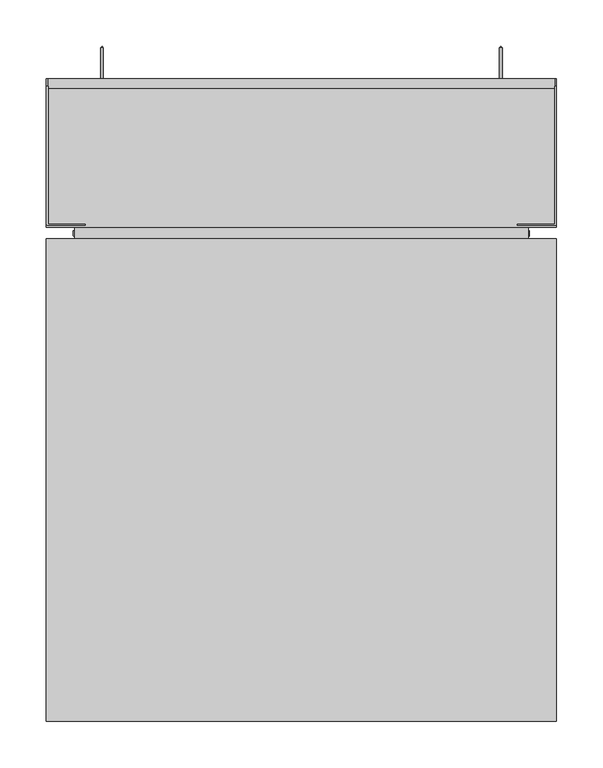
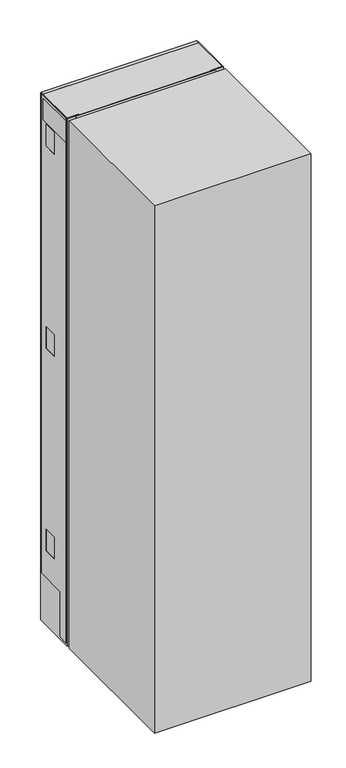
"""IFC4 building model written with IfcOpenShell, lengths in millimetres: proxy geometry."""

from ifc_helpers import new_model, si_unit, point, frame, frame_2d, origin, origin_with_axes, place, context, project, spatial, polyline, circle_curve, trimmed, segment, composite_curve, outline, extrude, faceted_brep, source, transform, mapped, element, save
from ifc_brep_helpers import plane_surface, cylinder_surface, revolved_surface, advanced_brep


def specialty_equipment_7d5f7687(model_context):
    return source(origin(), model_context, "Body", "SolidModel", [
        advanced_brep(
        [(213.5, 465.6, 400.4999976), (216.5, 465.6, 400.4999976), (216.5, 425.6, 400.4999976), (213.5, 425.6, 400.4999976), (215.0, 467.1, 400.4999976), (210.0, 422.1, 400.4999976), (220.0, 422.1, 400.4999976), (215.0, 422.1, 400.4999976)],
        [
            (0, 1, circle_curve(frame((215.0, 465.6, 400.4999976), z_axis=(0.0, -1.0, 0.0), x_axis=(1.0, 0.0, 0.0)), 1.5)),
            (1, 2),
            (2, 3, circle_curve(frame((215.0, 425.6, 400.4999976), z_axis=(0.0, 1.0, 0.0), x_axis=(1.0, 0.0, 0.0)), 1.5)),
            (3, 0),
            (1, 0, circle_curve(frame((215.0, 465.6, 400.4999976), z_axis=(0.0, -1.0, 0.0), x_axis=(1.0, 0.0, 0.0)), 1.5)),
            (3, 2, circle_curve(frame((215.0, 425.6, 400.4999976), z_axis=(0.0, 1.0, 0.0), x_axis=(1.0, 0.0, 0.0)), 1.5)),
            (4, 1),
            (0, 4),
            (5, 6, circle_curve(frame((215.0, 422.1, 400.4999976), z_axis=(0.0, -1.0, 0.0), x_axis=(1.0, 0.0, 0.0)), 5.0)),
            (6, 7),
            (7, 5),
            (6, 5, circle_curve(frame((215.0, 422.1, 400.4999976), z_axis=(0.0, -1.0, 0.0), x_axis=(1.0, 0.0, 0.0)), 5.0)),
            (2, 6),
            (5, 3),
        ],
        [
            cylinder_surface(frame((215.0, 422.1, 400.4999976), z_axis=(0.0, 1.0, 0.0), x_axis=(1.0, 0.0, 0.0)), 1.5),
            revolved_surface(polyline([(216.5, 465.6, 400.4999976), (215.0, 467.1, 400.4999976)]), (215.0, 422.1, 400.4999976), (0.0, 1.0, 0.0)),
            plane_surface(frame((215.0, 422.1, 400.4999976), z_axis=(0.0, -1.0, 0.0), x_axis=(1.0, 0.0, 0.0))),
            revolved_surface(polyline([(220.0, 422.1, 400.4999976), (216.5, 425.6, 400.4999976)]), (215.0, 422.1, 400.4999976), (0.0, 1.0, 0.0)),
        ],
        [
            (0, [[1, 2, 3, 4]]),
            (0, [[5, -4, 6, -2]]),
            (1, [[7, -1, 8]]),
            (1, [[-8, -5, -7]]),
            (2, [[9, 10, 11]]),
            (2, [[12, -11, -10]]),
            (3, [[-3, 13, -9, 14]]),
            (3, [[-6, -14, -12, -13]]),
        ],
    ),
        advanced_brep(
        [(-216.5, 465.6, 400.4999976), (-213.5, 465.6, 400.4999976), (-213.5, 425.6, 400.4999976), (-216.5, 425.6, 400.4999976), (-215.0, 467.1, 400.4999976), (-220.0, 422.1, 400.4999976), (-210.0, 422.1, 400.4999976), (-215.0, 422.1, 400.4999976)],
        [
            (0, 1, circle_curve(frame((-215.0, 465.6, 400.4999976), z_axis=(0.0, -1.0, 0.0), x_axis=(1.0, 0.0, 0.0)), 1.5)),
            (1, 2),
            (2, 3, circle_curve(frame((-215.0, 425.6, 400.4999976), z_axis=(0.0, 1.0, 0.0), x_axis=(1.0, 0.0, 0.0)), 1.5)),
            (3, 0),
            (1, 0, circle_curve(frame((-215.0, 465.6, 400.4999976), z_axis=(0.0, -1.0, 0.0), x_axis=(1.0, 0.0, 0.0)), 1.5)),
            (3, 2, circle_curve(frame((-215.0, 425.6, 400.4999976), z_axis=(0.0, 1.0, 0.0), x_axis=(1.0, 0.0, 0.0)), 1.5)),
            (4, 1),
            (0, 4),
            (5, 6, circle_curve(frame((-215.0, 422.1, 400.4999976), z_axis=(0.0, -1.0, 0.0), x_axis=(1.0, 0.0, 0.0)), 5.0)),
            (6, 7),
            (7, 5),
            (6, 5, circle_curve(frame((-215.0, 422.1, 400.4999976), z_axis=(0.0, -1.0, 0.0), x_axis=(1.0, 0.0, 0.0)), 5.0)),
            (2, 6),
            (5, 3),
        ],
        [
            cylinder_surface(frame((-215.0, 422.1, 400.4999976), z_axis=(0.0, 1.0, 0.0), x_axis=(1.0, 0.0, 0.0)), 1.5),
            revolved_surface(polyline([(-213.5, 465.6, 400.4999976), (-215.0, 467.1, 400.4999976)]), (-215.0, 422.1, 400.4999976), (0.0, 1.0, 0.0)),
            plane_surface(frame((-215.0, 422.1, 400.4999976), z_axis=(0.0, -1.0, 0.0), x_axis=(1.0, 0.0, 0.0))),
            revolved_surface(polyline([(-210.0, 422.1, 400.4999976), (-213.5, 425.6, 400.4999976)]), (-215.0, 422.1, 400.4999976), (0.0, 1.0, 0.0)),
        ],
        [
            (0, [[1, 2, 3, 4]]),
            (0, [[5, -4, 6, -2]]),
            (1, [[7, -1, 8]]),
            (1, [[-8, -5, -7]]),
            (2, [[9, 10, 11]]),
            (2, [[12, -11, -10]]),
            (3, [[-3, 13, -9, 14]]),
            (3, [[-6, -14, -12, -13]]),
        ],
    ),
        advanced_brep(
        [(213.5, 465.6, 1800.4999976), (216.5, 465.6, 1800.4999976), (216.5, 425.6, 1800.4999976), (213.5, 425.6, 1800.4999976), (215.0, 467.1, 1800.4999976), (210.0, 422.1, 1800.4999976), (220.0, 422.1, 1800.4999976), (215.0, 422.1, 1800.4999976)],
        [
            (0, 1, circle_curve(frame((215.0, 465.6, 1800.4999976), z_axis=(0.0, -1.0, 0.0), x_axis=(1.0, 0.0, 0.0)), 1.5)),
            (1, 2),
            (2, 3, circle_curve(frame((215.0, 425.6, 1800.4999976), z_axis=(0.0, 1.0, 0.0), x_axis=(1.0, 0.0, 0.0)), 1.5)),
            (3, 0),
            (1, 0, circle_curve(frame((215.0, 465.6, 1800.4999976), z_axis=(0.0, -1.0, 0.0), x_axis=(1.0, 0.0, 0.0)), 1.5)),
            (3, 2, circle_curve(frame((215.0, 425.6, 1800.4999976), z_axis=(0.0, 1.0, 0.0), x_axis=(1.0, 0.0, 0.0)), 1.5)),
            (4, 1),
            (0, 4),
            (5, 6, circle_curve(frame((215.0, 422.1, 1800.4999976), z_axis=(0.0, -1.0, 0.0), x_axis=(1.0, 0.0, 0.0)), 5.0)),
            (6, 7),
            (7, 5),
            (6, 5, circle_curve(frame((215.0, 422.1, 1800.4999976), z_axis=(0.0, -1.0, 0.0), x_axis=(1.0, 0.0, 0.0)), 5.0)),
            (2, 6),
            (5, 3),
        ],
        [
            cylinder_surface(frame((215.0, 422.1, 1800.4999976), z_axis=(0.0, 1.0, 0.0), x_axis=(1.0, 0.0, 0.0)), 1.5),
            revolved_surface(polyline([(216.5, 465.6, 1800.4999976), (215.0, 467.1, 1800.4999976)]), (215.0, 422.1, 1800.4999976), (0.0, 1.0, 0.0)),
            plane_surface(frame((215.0, 422.1, 1800.4999976), z_axis=(0.0, -1.0, 0.0), x_axis=(1.0, 0.0, 0.0))),
            revolved_surface(polyline([(220.0, 422.1, 1800.4999976), (216.5, 425.6, 1800.4999976)]), (215.0, 422.1, 1800.4999976), (0.0, 1.0, 0.0)),
        ],
        [
            (0, [[1, 2, 3, 4]]),
            (0, [[5, -4, 6, -2]]),
            (1, [[7, -1, 8]]),
            (1, [[-8, -5, -7]]),
            (2, [[9, 10, 11]]),
            (2, [[12, -11, -10]]),
            (3, [[-3, 13, -9, 14]]),
            (3, [[-6, -14, -12, -13]]),
        ],
    ),
        advanced_brep(
        [(-216.5, 465.6, 1800.4999976), (-213.5, 465.6, 1800.4999976), (-213.5, 425.6, 1800.4999976), (-216.5, 425.6, 1800.4999976), (-215.0, 467.1, 1800.4999976), (-220.0, 422.1, 1800.4999976), (-210.0, 422.1, 1800.4999976), (-215.0, 422.1, 1800.4999976)],
        [
            (0, 1, circle_curve(frame((-215.0, 465.6, 1800.4999976), z_axis=(0.0, -1.0, 0.0), x_axis=(1.0, 0.0, 0.0)), 1.5)),
            (1, 2),
            (2, 3, circle_curve(frame((-215.0, 425.6, 1800.4999976), z_axis=(0.0, 1.0, 0.0), x_axis=(1.0, 0.0, 0.0)), 1.5)),
            (3, 0),
            (1, 0, circle_curve(frame((-215.0, 465.6, 1800.4999976), z_axis=(0.0, -1.0, 0.0), x_axis=(1.0, 0.0, 0.0)), 1.5)),
            (3, 2, circle_curve(frame((-215.0, 425.6, 1800.4999976), z_axis=(0.0, 1.0, 0.0), x_axis=(1.0, 0.0, 0.0)), 1.5)),
            (4, 1),
            (0, 4),
            (5, 6, circle_curve(frame((-215.0, 422.1, 1800.4999976), z_axis=(0.0, -1.0, 0.0), x_axis=(1.0, 0.0, 0.0)), 5.0)),
            (6, 7),
            (7, 5),
            (6, 5, circle_curve(frame((-215.0, 422.1, 1800.4999976), z_axis=(0.0, -1.0, 0.0), x_axis=(1.0, 0.0, 0.0)), 5.0)),
            (2, 6),
            (5, 3),
        ],
        [
            cylinder_surface(frame((-215.0, 422.1, 1800.4999976), z_axis=(0.0, 1.0, 0.0), x_axis=(1.0, 0.0, 0.0)), 1.5),
            revolved_surface(polyline([(-213.5, 465.6, 1800.4999976), (-215.0, 467.1, 1800.4999976)]), (-215.0, 422.1, 1800.4999976), (0.0, 1.0, 0.0)),
            plane_surface(frame((-215.0, 422.1, 1800.4999976), z_axis=(0.0, -1.0, 0.0), x_axis=(1.0, 0.0, 0.0))),
            revolved_surface(polyline([(-210.0, 422.1, 1800.4999976), (-213.5, 425.6, 1800.4999976)]), (-215.0, 422.1, 1800.4999976), (0.0, 1.0, 0.0)),
        ],
        [
            (0, [[1, 2, 3, 4]]),
            (0, [[5, -4, 6, -2]]),
            (1, [[7, -1, 8]]),
            (1, [[-8, -5, -7]]),
            (2, [[9, 10, 11]]),
            (2, [[12, -11, -10]]),
            (3, [[-3, 13, -9, 14]]),
            (3, [[-6, -14, -12, -13]]),
        ],
    ),
        faceted_brep([(-208.5, 402.1, 1576.8855882), (-208.5, 402.1, 1524.8505872), (-200.5, 402.1, 1524.8505872), (-200.5, 402.1, 1576.8855882), (-98.5, 402.1, 1524.8505872), (-98.5, 402.1, 1576.8855882), (-108.5, 402.1, 1576.8855882), (-108.5, 402.1, 1524.8505872), (-140.5, 402.1, 1576.8855882), (-140.5, 402.1, 1524.8505872), (-132.5, 402.1, 1524.8505872), (-132.5, 402.1, 1576.8855882), (-98.5, 417.1, 1576.8855882), (-98.5, 417.1, 1524.8505872), (-108.5, 417.1, 1524.8505872), (-108.5, 417.1, 1522.0000523), (-132.5, 417.1, 1522.0000523), (-132.5, 417.1, 1524.8505872), (-140.5, 417.1, 1524.8505872), (-140.5, 417.1, 1522.899992), (-200.5, 417.1, 1522.899992), (-200.5, 417.1, 1524.8505872), (-208.5, 417.1, 1524.8505872), (-208.5, 417.1, 1576.8855882), (-200.5, 417.1, 1576.8855882), (-200.5, 417.1, 1580.4000062), (-140.5, 417.1, 1580.4000062), (-140.5, 417.1, 1576.8855882), (-132.5, 382.1, 1576.8855882), (-108.5, 382.1, 1576.8855882), (-140.5, 382.1, 1580.4000062), (-200.5, 382.1, 1580.4000062), (-200.5, 382.1, 1522.899992), (-140.5, 382.1, 1522.899992), (-132.5, 382.1, 1522.0000523), (-108.5, 382.1, 1522.0000523)], [[[0, 1, 2, 3]], [[4, 5, 6, 7]], [[8, 9, 10, 11]], [[12, 13, 14, 15, 16, 17, 18, 19, 20, 21, 22, 23, 24, 25, 26, 27]], [[5, 12, 27, 8, 11, 28, 29, 6]], [[23, 0, 3, 24]], [[1, 0, 23, 22]], [[1, 22, 21, 2]], [[9, 18, 17, 10]], [[13, 4, 7, 14]], [[5, 4, 13, 12]], [[30, 31, 32, 33]], [[31, 30, 26, 25]], [[32, 31, 25, 24, 3, 2, 21, 20]], [[33, 32, 20, 19]], [[30, 33, 19, 18, 9, 8, 27, 26]], [[29, 28, 34, 35]], [[34, 28, 11, 10, 17, 16]], [[35, 34, 16, 15]], [[29, 35, 15, 14, 7, 6]]]),
        extrude(outline(polyline([(-61.5, 417.1), (-238.5, 417.1), (-238.5, 422.1), (-61.5, 422.1), (-61.5, 417.1)])), frame((0.0, 0.0, 1529.0), z_axis=(0.0, 0.0, 1.0), x_axis=(1.0, 0.0, 0.0)), (0.0, 0.0, 1.0), 35.0),
        extrude(outline(polyline([(273.25, 275.6), (-273.25, 275.6), (-273.25, 427.1), (273.25, 427.1), (273.25, 275.6)])), frame((0.0, 0.0, 1947.2), z_axis=(0.0, 0.0, 1.0), x_axis=(1.0, 0.0, 0.0)), (0.0, 0.0, 1.0), 4.8),
        advanced_brep(
        [(275.0, 314.35, 176.3), (275.0, 424.35, 180.3646651), (275.0, 424.35, 1955.3), (275.0, 276.1, 1955.3), (275.0, 276.1, 8.25), (275.0, 314.35, 8.25), (275.0, 348.7, 357.8), (275.0, 397.6, 357.8), (275.0, 397.6, 277.6), (275.0, 348.7, 277.6), (275.0, 397.6, 1027.6), (275.0, 348.7, 1027.6), (275.0, 348.7, 1107.8), (275.0, 397.6, 1107.8), (275.0, 399.1, 1777.6), (275.0, 348.7, 1777.6), (275.0, 348.7, 1857.8), (275.0, 399.1, 1857.8), (275.0, 281.1, 1941.55), (275.0, 417.6, 1941.55), (275.0, 417.6, 1862.55), (275.0, 281.1, 1862.55), (273.25, 314.35, 176.3), (273.25, 314.35, 8.25), (273.25, 276.1, 8.25), (273.25, 276.1, 1955.3), (273.25, 424.35, 1955.3), (273.25, 424.35, 180.3646651), (273.25, 348.7, 357.8), (273.25, 348.7, 277.6), (273.25, 397.6, 277.6), (273.25, 397.6, 357.8), (273.25, 397.6, 1027.6), (273.25, 397.6, 1107.8), (273.25, 348.7, 1107.8), (273.25, 348.7, 1027.6), (273.25, 399.1, 1777.6), (273.25, 399.1, 1857.8), (273.25, 348.7, 1857.8), (273.25, 348.7, 1777.6), (273.25, 281.1, 1941.55), (273.25, 281.1, 1862.55), (273.25, 417.6, 1862.55), (273.25, 417.6, 1941.55), (273.8139807, 276.1, 1955.3), (273.8139807, 275.6, 1955.3), (233.05, 275.6, 1955.3), (233.05, 274.35, 1955.3), (273.25, 274.35, 1955.3), (273.8139807, 276.1, 8.25), (273.25, 274.35, 8.25), (233.05, 274.35, 8.25), (233.05, 275.6, 8.25), (273.8139807, 275.6, 8.25)],
        [
            (0, 1),
            (1, 2),
            (2, 3),
            (3, 4),
            (4, 5),
            (5, 0),
            (6, 7),
            (7, 8),
            (8, 9),
            (9, 6),
            (10, 11),
            (11, 12),
            (12, 13),
            (13, 10),
            (14, 15),
            (15, 16),
            (16, 17),
            (17, 14),
            (18, 19),
            (19, 20),
            (20, 21),
            (21, 18),
            (22, 23),
            (23, 24),
            (24, 25),
            (25, 26),
            (26, 27),
            (27, 22),
            (28, 29),
            (29, 30),
            (30, 31),
            (31, 28),
            (32, 33),
            (33, 34),
            (34, 35),
            (35, 32),
            (36, 37),
            (37, 38),
            (38, 39),
            (39, 36),
            (40, 41),
            (41, 42),
            (42, 43),
            (43, 40),
            (0, 22),
            (27, 1),
            (26, 2),
            (25, 44),
            (44, 45),
            (45, 46),
            (46, 47),
            (47, 48),
            (48, 3, circle_curve(frame((273.25, 276.1, 1955.3), z_axis=(0.0, 0.0, 1.0), x_axis=(-1.0, 0.0, 0.0)), 1.75)),
            (24, 49),
            (49, 44),
            (23, 5),
            (4, 50, circle_curve(frame((273.25, 276.1, 8.25), z_axis=(0.0, 0.0, -1.0), x_axis=(-1.0, 0.0, 0.0)), 1.75)),
            (50, 51),
            (51, 52),
            (52, 53),
            (53, 49),
            (6, 28),
            (31, 7),
            (30, 8),
            (29, 9),
            (10, 32),
            (35, 11),
            (34, 12),
            (33, 13),
            (14, 36),
            (39, 15),
            (38, 16),
            (37, 17),
            (18, 40),
            (43, 19),
            (42, 20),
            (41, 21),
            (47, 51),
            (50, 48),
            (53, 45),
            (52, 46),
        ],
        [
            plane_surface(frame((275.0, 422.6, 180.3), z_axis=(1.0, 0.0, 0.0), x_axis=(0.0, 0.9993179916193466, 0.03692629992126892))),
            plane_surface(frame((273.25, 422.6, 180.3), z_axis=(-1.0, 0.0, 0.0), x_axis=(0.0, -0.9993179916193466, -0.03692629992126892))),
            plane_surface(frame((275.0, 314.35, 176.3), z_axis=(0.0, 0.03692629992126892, -0.9993179916193466), x_axis=(-1.0, 0.0, 0.0))),
            plane_surface(frame((275.0, 424.35, 180.3646651), z_axis=(0.0, 1.0, 0.0), x_axis=(-1.0, 0.0, 0.0))),
            plane_surface(frame((275.0, 424.35, 1955.3), z_axis=(0.0, 0.0, 1.0), x_axis=(-1.0, 0.0, 0.0))),
            plane_surface(frame((275.0, 276.1, 1955.3), z_axis=(0.0, -1.0, 0.0), x_axis=(-1.0, 0.0, 0.0))),
            plane_surface(frame((275.0, 276.1, 8.25), z_axis=(0.0, 0.0, -1.0), x_axis=(-1.0, 0.0, 0.0))),
            plane_surface(frame((275.0, 314.35, 8.25), z_axis=(0.0, 1.0, 0.0), x_axis=(-1.0, 0.0, 0.0))),
            plane_surface(frame((275.0, 348.7, 357.8), z_axis=(0.0, 0.0, -1.0), x_axis=(-1.0, 0.0, 0.0))),
            plane_surface(frame((275.0, 397.6, 357.8), z_axis=(0.0, -1.0, 0.0), x_axis=(-1.0, 0.0, 0.0))),
            plane_surface(frame((275.0, 397.6, 277.6), z_axis=(0.0, 0.0, 1.0), x_axis=(-1.0, 0.0, 0.0))),
            plane_surface(frame((275.0, 348.7, 277.6), z_axis=(0.0, 1.0, 0.0), x_axis=(-1.0, 0.0, 0.0))),
            plane_surface(frame((275.0, 397.6, 1027.6), z_axis=(0.0, 0.0, 1.0), x_axis=(-1.0, 0.0, 0.0))),
            plane_surface(frame((275.0, 348.7, 1027.6), z_axis=(0.0, 1.0, 0.0), x_axis=(-1.0, 0.0, 0.0))),
            plane_surface(frame((275.0, 348.7, 1107.8), z_axis=(0.0, 0.0, -1.0), x_axis=(-1.0, 0.0, 0.0))),
            plane_surface(frame((275.0, 397.6, 1107.8), z_axis=(0.0, -1.0, 0.0), x_axis=(-1.0, 0.0, 0.0))),
            plane_surface(frame((275.0, 399.1, 1777.6), z_axis=(0.0, 0.0, 1.0), x_axis=(-1.0, 0.0, 0.0))),
            plane_surface(frame((275.0, 348.7, 1777.6), z_axis=(0.0, 1.0, 0.0), x_axis=(-1.0, 0.0, 0.0))),
            plane_surface(frame((275.0, 348.7, 1857.8), z_axis=(0.0, 0.0, -1.0), x_axis=(-1.0, 0.0, 0.0))),
            plane_surface(frame((275.0, 399.1, 1857.8), z_axis=(0.0, -1.0, 0.0), x_axis=(-1.0, 0.0, 0.0))),
            plane_surface(frame((275.0, 281.1, 1941.55), z_axis=(0.0, 0.0, -1.0), x_axis=(-1.0, 0.0, 0.0))),
            plane_surface(frame((275.0, 417.6, 1941.55), z_axis=(0.0, -1.0, 0.0), x_axis=(-1.0, 0.0, 0.0))),
            plane_surface(frame((275.0, 417.6, 1862.55), z_axis=(0.0, 0.0, 1.0), x_axis=(-1.0, 0.0, 0.0))),
            plane_surface(frame((275.0, 281.1, 1862.55), z_axis=(0.0, 1.0, 0.0), x_axis=(-1.0, 0.0, 0.0))),
            plane_surface(frame((233.05, 274.35, 1955.3), z_axis=(0.0, -1.0, 0.0), x_axis=(0.0, 0.0, -1.0))),
            cylinder_surface(frame((273.25, 276.1, 0.0), z_axis=(0.0, 0.0, 1.0), x_axis=(-1.0, 0.0, 0.0)), 1.75),
            plane_surface(frame((273.8139807, 277.7566308, 1955.3), z_axis=(-1.0, 0.0, 0.0), x_axis=(0.0, 0.0, -1.0))),
            plane_surface(frame((273.8139807, 275.6, 1955.3), z_axis=(0.0, 1.0, 0.0), x_axis=(0.0, 0.0, -1.0))),
            plane_surface(frame((233.05, 275.6, 1955.3), z_axis=(-1.0, 0.0, 0.0), x_axis=(0.0, 0.0, -1.0))),
        ],
        [
            (0, [[1, 2, 3, 4, 5, 6], [7, 8, 9, 10], [11, 12, 13, 14], [15, 16, 17, 18], [19, 20, 21, 22]]),
            (1, [[23, 24, 25, 26, 27, 28], [29, 30, 31, 32], [33, 34, 35, 36], [37, 38, 39, 40], [41, 42, 43, 44]]),
            (2, [[-1, 45, -28, 46]]),
            (3, [[-2, -46, -27, 47]]),
            (4, [[-26, 48, 49, 50, 51, 52, 53, -3, -47]]),
            (5, [[-25, 54, 55, -48]]),
            (6, [[-24, 56, -5, 57, 58, 59, 60, 61, -54]]),
            (7, [[-6, -56, -23, -45]]),
            (8, [[-7, 62, -32, 63]]),
            (9, [[-8, -63, -31, 64]]),
            (10, [[-9, -64, -30, 65]]),
            (11, [[-10, -65, -29, -62]]),
            (12, [[-11, 66, -36, 67]]),
            (13, [[-12, -67, -35, 68]]),
            (14, [[-13, -68, -34, 69]]),
            (15, [[-14, -69, -33, -66]]),
            (16, [[-15, 70, -40, 71]]),
            (17, [[-16, -71, -39, 72]]),
            (18, [[-17, -72, -38, 73]]),
            (19, [[-18, -73, -37, -70]]),
            (20, [[-19, 74, -44, 75]]),
            (21, [[-20, -75, -43, 76]]),
            (22, [[-21, -76, -42, 77]]),
            (23, [[-22, -77, -41, -74]]),
            (24, [[-52, 78, -58, 79]]),
            (25, [[-53, -79, -57, -4]]),
            (26, [[80, -49, -55, -61]]),
            (27, [[-50, -80, -60, 81]]),
            (28, [[-51, -81, -59, -78]]),
        ],
    ),
        advanced_brep(
        [(-233.05, 274.35, 1955.3), (-233.05, 275.6, 1955.3), (-273.8139807, 275.6, 1955.3), (-273.8139807, 276.1, 1955.3), (-273.25, 276.1, 1955.3), (-273.25, 424.35, 1955.3), (-275.0, 424.35, 1955.3), (-275.0, 276.1, 1955.3), (-273.25, 274.35, 1955.3), (-233.05, 274.35, 8.25), (-273.25, 274.35, 8.25), (-275.0, 276.1, 8.25), (-275.0, 314.35, 8.25), (-273.25, 314.35, 8.25), (-273.25, 276.1, 8.25), (-273.8139807, 276.1, 8.25), (-273.8139807, 275.6, 8.25), (-233.05, 275.6, 8.25), (-275.0, 424.35, 180.3646651), (-275.0, 314.35, 176.3), (-275.0, 348.7, 357.8), (-275.0, 348.7, 277.6), (-275.0, 397.6, 277.6), (-275.0, 397.6, 357.8), (-275.0, 397.6, 1027.6), (-275.0, 397.6, 1107.8), (-275.0, 348.7, 1107.8), (-275.0, 348.7, 1027.6), (-275.0, 399.1, 1777.6), (-275.0, 399.1, 1857.8), (-275.0, 348.7, 1857.8), (-275.0, 348.7, 1777.6), (-275.0, 281.1, 1941.55), (-275.0, 281.1, 1862.55), (-275.0, 417.6, 1862.55), (-275.0, 417.6, 1941.55), (-273.25, 314.35, 176.3), (-273.25, 424.35, 180.3646651), (-273.25, 348.7, 357.8), (-273.25, 397.6, 357.8), (-273.25, 397.6, 277.6), (-273.25, 348.7, 277.6), (-273.25, 397.6, 1027.6), (-273.25, 348.7, 1027.6), (-273.25, 348.7, 1107.8), (-273.25, 397.6, 1107.8), (-273.25, 399.1, 1777.6), (-273.25, 348.7, 1777.6), (-273.25, 348.7, 1857.8), (-273.25, 399.1, 1857.8), (-273.25, 281.1, 1941.55), (-273.25, 417.6, 1941.55), (-273.25, 417.6, 1862.55), (-273.25, 281.1, 1862.55)],
        [
            (0, 1),
            (1, 2),
            (2, 3),
            (3, 4),
            (4, 5),
            (5, 6),
            (6, 7),
            (7, 8, circle_curve(frame((-273.25, 276.1, 1955.3), z_axis=(0.0, 0.0, 1.0), x_axis=(1.0, 0.0, 0.0)), 1.75)),
            (8, 0),
            (9, 10),
            (10, 11, circle_curve(frame((-273.25, 276.1, 8.25), z_axis=(0.0, 0.0, -1.0), x_axis=(1.0, 0.0, 0.0)), 1.75)),
            (11, 12),
            (12, 13),
            (13, 14),
            (14, 15),
            (15, 16),
            (16, 17),
            (17, 9),
            (0, 9),
            (17, 1),
            (16, 2),
            (15, 3),
            (6, 18),
            (18, 19),
            (19, 12),
            (11, 7),
            (20, 21),
            (21, 22),
            (22, 23),
            (23, 20),
            (24, 25),
            (25, 26),
            (26, 27),
            (27, 24),
            (28, 29),
            (29, 30),
            (30, 31),
            (31, 28),
            (32, 33),
            (33, 34),
            (34, 35),
            (35, 32),
            (10, 8),
            (36, 37),
            (37, 5),
            (4, 14),
            (13, 36),
            (38, 39),
            (39, 40),
            (40, 41),
            (41, 38),
            (42, 43),
            (43, 44),
            (44, 45),
            (45, 42),
            (46, 47),
            (47, 48),
            (48, 49),
            (49, 46),
            (50, 51),
            (51, 52),
            (52, 53),
            (53, 50),
            (18, 37),
            (36, 19),
            (23, 39),
            (38, 20),
            (22, 40),
            (21, 41),
            (27, 43),
            (42, 24),
            (26, 44),
            (25, 45),
            (31, 47),
            (46, 28),
            (30, 48),
            (29, 49),
            (35, 51),
            (50, 32),
            (34, 52),
            (33, 53),
        ],
        [
            plane_surface(frame((275.0, 424.35, 1955.3), z_axis=(0.0, 0.0, 1.0), x_axis=(-1.0, 0.0, 0.0))),
            plane_surface(frame((275.0, 276.1, 8.25), z_axis=(0.0, 0.0, -1.0), x_axis=(-1.0, 0.0, 0.0))),
            plane_surface(frame((-233.05, 274.35, 1955.3), z_axis=(1.0, 0.0, 0.0), x_axis=(0.0, 0.0, -1.0))),
            plane_surface(frame((-233.05, 275.6, 1955.3), z_axis=(0.0, 1.0, 0.0), x_axis=(0.0, 0.0, -1.0))),
            plane_surface(frame((-273.8139807, 275.6, 1955.3), z_axis=(1.0, 0.0, 0.0), x_axis=(0.0, 0.0, -1.0))),
            plane_surface(frame((-275.0, 277.7566308, 1955.3), z_axis=(-1.0, -2.5941982806943435e-12, 0.0), x_axis=(0.0, 0.0, -1.0))),
            cylinder_surface(frame((-273.25, 276.1, 8.25), z_axis=(0.0, 0.0, 1.0), x_axis=(1.0, 0.0, 0.0)), 1.75),
            plane_surface(frame((-273.25, 274.35, 1955.3), z_axis=(0.0, -1.0, 0.0), x_axis=(0.0, 0.0, -1.0))),
            plane_surface(frame((-273.25, 314.35, 176.3), z_axis=(1.0, 0.0, 0.0), x_axis=(0.0, 0.0, 1.0))),
            plane_surface(frame((-275.0, 424.35, 180.3646651), z_axis=(0.0, 0.03692629992126892, -0.9993179916193466), x_axis=(1.0, 0.0, 0.0))),
            plane_surface(frame((-275.0, 424.35, 1955.3), z_axis=(0.0, 1.0, 0.0), x_axis=(1.0, 0.0, 0.0))),
            plane_surface(frame((-275.0, 276.1, 8.25), z_axis=(0.0, -1.0, 0.0), x_axis=(1.0, 0.0, 0.0))),
            plane_surface(frame((-275.0, 314.35, 176.3), z_axis=(0.0, 1.0, 0.0), x_axis=(1.0, 0.0, 0.0))),
            plane_surface(frame((-275.0, 397.6, 357.8), z_axis=(0.0, 0.0, -1.0), x_axis=(1.0, 0.0, 0.0))),
            plane_surface(frame((-275.0, 397.6, 277.6), z_axis=(0.0, -1.0, 0.0), x_axis=(1.0, 0.0, 0.0))),
            plane_surface(frame((-275.0, 348.7, 277.6), z_axis=(0.0, 0.0, 1.0), x_axis=(1.0, 0.0, 0.0))),
            plane_surface(frame((-275.0, 348.7, 357.8), z_axis=(0.0, 1.0, 0.0), x_axis=(1.0, 0.0, 0.0))),
            plane_surface(frame((-275.0, 348.7, 1027.6), z_axis=(0.0, 0.0, 1.0), x_axis=(1.0, 0.0, 0.0))),
            plane_surface(frame((-275.0, 348.7, 1107.8), z_axis=(0.0, 1.0, 0.0), x_axis=(1.0, 0.0, 0.0))),
            plane_surface(frame((-275.0, 397.6, 1107.8), z_axis=(0.0, 0.0, -1.0), x_axis=(1.0, 0.0, 0.0))),
            plane_surface(frame((-275.0, 397.6, 1027.6), z_axis=(0.0, -1.0, 0.0), x_axis=(1.0, 0.0, 0.0))),
            plane_surface(frame((-275.0, 348.7, 1777.6), z_axis=(0.0, 0.0, 1.0), x_axis=(1.0, 0.0, 0.0))),
            plane_surface(frame((-275.0, 348.7, 1857.8), z_axis=(0.0, 1.0, 0.0), x_axis=(1.0, 0.0, 0.0))),
            plane_surface(frame((-275.0, 399.1, 1857.8), z_axis=(0.0, 0.0, -1.0), x_axis=(1.0, 0.0, 0.0))),
            plane_surface(frame((-275.0, 399.1, 1777.6), z_axis=(0.0, -1.0, 0.0), x_axis=(1.0, 0.0, 0.0))),
            plane_surface(frame((-275.0, 417.6, 1941.55), z_axis=(0.0, 0.0, -1.0), x_axis=(1.0, 0.0, 0.0))),
            plane_surface(frame((-275.0, 417.6, 1862.55), z_axis=(0.0, -1.0, 0.0), x_axis=(1.0, 0.0, 0.0))),
            plane_surface(frame((-275.0, 281.1, 1862.55), z_axis=(0.0, 0.0, 1.0), x_axis=(1.0, 0.0, 0.0))),
            plane_surface(frame((-275.0, 281.1, 1941.55), z_axis=(0.0, 1.0, 0.0), x_axis=(1.0, 0.0, 0.0))),
        ],
        [
            (0, [[1, 2, 3, 4, 5, 6, 7, 8, 9]]),
            (1, [[10, 11, 12, 13, 14, 15, 16, 17, 18]]),
            (2, [[-1, 19, -18, 20]]),
            (3, [[-2, -20, -17, 21]]),
            (4, [[-21, -16, 22, -3]]),
            (5, [[-7, 23, 24, 25, -12, 26], [27, 28, 29, 30], [31, 32, 33, 34], [35, 36, 37, 38], [39, 40, 41, 42]]),
            (6, [[-8, -26, -11, 43]]),
            (7, [[-9, -43, -10, -19]]),
            (8, [[44, 45, -5, 46, -14, 47], [48, 49, 50, 51], [52, 53, 54, 55], [56, 57, 58, 59], [60, 61, 62, 63]]),
            (9, [[-24, 64, -44, 65]]),
            (10, [[-23, -6, -45, -64]]),
            (11, [[-46, -4, -22, -15]]),
            (12, [[-25, -65, -47, -13]]),
            (13, [[-30, 66, -48, 67]]),
            (14, [[-29, 68, -49, -66]]),
            (15, [[-28, 69, -50, -68]]),
            (16, [[-27, -67, -51, -69]]),
            (17, [[-34, 70, -52, 71]]),
            (18, [[-33, 72, -53, -70]]),
            (19, [[-32, 73, -54, -72]]),
            (20, [[-31, -71, -55, -73]]),
            (21, [[-38, 74, -56, 75]]),
            (22, [[-37, 76, -57, -74]]),
            (23, [[-36, 77, -58, -76]]),
            (24, [[-35, -75, -59, -77]]),
            (25, [[-42, 78, -60, 79]]),
            (26, [[-41, 80, -61, -78]]),
            (27, [[-40, 81, -62, -80]]),
            (28, [[-39, -79, -63, -81]]),
        ],
    ),
        extrude(outline(composite_curve([segment(polyline([(-244.55, 274.35), (-243.3, 274.35), (-243.3, 263.6)]), True, "CONTINUOUS"), segment(trimmed(circle_curve(frame_2d((-244.65, 263.6)), 1.35), [point((-243.3, 263.6))], [point((-246.0, 263.6))], False, "CARTESIAN"), True, "CONTINUOUS"), segment(polyline([(-246.0, 263.6), (-246.0, 268.25), (-244.55, 268.25), (-244.55, 274.35)]), True, "CONTINUOUS")], self_intersect=False)), frame((0.0, 0.0, 127.5), z_axis=(0.0, 0.0, 1.0), x_axis=(1.0, 0.0, 0.0)), (0.0, 0.0, 1.0), 1757.35),
        extrude(outline(composite_curve([segment(polyline([(244.55, 274.35), (244.55, 268.25), (246.0, 268.25), (246.0, 263.6)]), True, "CONTINUOUS"), segment(trimmed(circle_curve(frame_2d((244.65, 263.6)), 1.35), [point((246.0, 263.6))], [point((243.3, 263.6))], False, "CARTESIAN"), True, "CONTINUOUS"), segment(polyline([(243.3, 263.6), (243.3, 274.35), (244.55, 274.35)]), True, "CONTINUOUS")], self_intersect=False)), frame((0.0, 0.0, 127.5), z_axis=(0.0, 0.0, 1.0), x_axis=(1.0, 0.0, 0.0)), (0.0, 0.0, 1.0), 1757.35),
        extrude(outline(polyline([(1954.9999976, 273.25), (1954.9999976, -273.25), (180.2999976, -273.25), (180.2999976, 273.25), (1954.9999976, 273.25)]), holes=[composite_curve([segment(polyline([(1763.4999976, -176.35), (1909.7499976, -176.35), (1909.7499976, 176.35), (1763.4999976, 176.35)]), True, "CONTINUOUS"), segment(trimmed(circle_curve(frame_2d((1763.4999976, 126.35)), 50.0), [point((1763.4999976, 176.35))], [point((1713.4999976, 126.35))], True, "CARTESIAN"), True, "CONTINUOUS"), segment(polyline([(1713.4999976, 126.35), (1713.4999976, 95.0)]), True, "CONTINUOUS"), segment(trimmed(circle_curve(frame_2d((1763.4999976, 95.0)), 50.0), [point((1713.4999976, 95.0))], [point((1763.4999976, 45.0))], True, "CARTESIAN"), True, "CONTINUOUS"), segment(polyline([(1763.4999976, 45.0), (1838.4999976, 45.0)]), True, "CONTINUOUS"), segment(trimmed(circle_curve(frame_2d((1838.4999976, 0.0)), 45.0), [point((1838.4999976, 45.0))], [point((1838.4999976, -45.0))], False, "CARTESIAN"), True, "CONTINUOUS"), segment(polyline([(1838.4999976, -45.0), (1763.4999976, -45.0)]), True, "CONTINUOUS"), segment(trimmed(circle_curve(frame_2d((1763.4999976, -95.0)), 50.0), [point((1763.4999976, -45.0))], [point((1713.4999976, -95.0))], True, "CARTESIAN"), True, "CONTINUOUS"), segment(polyline([(1713.4999976, -95.0), (1713.4999976, -126.35)]), True, "CONTINUOUS"), segment(trimmed(circle_curve(frame_2d((1763.4999976, -126.35)), 50.0), [point((1713.4999976, -126.35))], [point((1763.4999976, -176.35))], True, "CARTESIAN"), True, "CONTINUOUS")], self_intersect=False), composite_curve([segment(trimmed(circle_curve(frame_2d((400.4999976, -215.0)), 7.0), [point((400.4999976, -208.0))], [point((400.4999976, -222.0))], True, "CARTESIAN"), True, "CONTINUOUS"), segment(trimmed(circle_curve(frame_2d((400.4999976, -215.0)), 7.0), [point((400.4999976, -222.0))], [point((400.4999976, -208.0))], True, "CARTESIAN"), True, "CONTINUOUS")], self_intersect=False), composite_curve([segment(trimmed(circle_curve(frame_2d((400.4999976, 215.0)), 7.0), [point((400.4999976, 222.0))], [point((400.4999976, 208.0))], True, "CARTESIAN"), True, "CONTINUOUS"), segment(trimmed(circle_curve(frame_2d((400.4999976, 215.0)), 7.0), [point((400.4999976, 208.0))], [point((400.4999976, 222.0))], True, "CARTESIAN"), True, "CONTINUOUS")], self_intersect=False), composite_curve([segment(trimmed(circle_curve(frame_2d((1800.4999976, -215.0)), 7.0), [point((1800.4999976, -208.0))], [point((1800.4999976, -222.0))], True, "CARTESIAN"), True, "CONTINUOUS"), segment(trimmed(circle_curve(frame_2d((1800.4999976, -215.0)), 7.0), [point((1800.4999976, -222.0))], [point((1800.4999976, -208.0))], True, "CARTESIAN"), True, "CONTINUOUS")], self_intersect=False), composite_curve([segment(trimmed(circle_curve(frame_2d((1800.4999976, 215.0)), 7.0), [point((1800.4999976, 222.0))], [point((1800.4999976, 208.0))], True, "CARTESIAN"), True, "CONTINUOUS"), segment(trimmed(circle_curve(frame_2d((1800.4999976, 215.0)), 7.0), [point((1800.4999976, 208.0))], [point((1800.4999976, 222.0))], True, "CARTESIAN"), True, "CONTINUOUS")], self_intersect=False)]), frame((0.0, 422.1, 0.0), z_axis=(0.0, 1.0, 0.0), x_axis=(0.0, 0.0, 1.0)), (0.0, 0.0, 1.0), 10.0),
        extrude(outline(polyline([(275.0, 260.0), (275.0, -260.0), (-275.0, -260.0), (-275.0, 260.0), (275.0, 260.0)])), origin_with_axes(), (0.0, 0.0, 1.0), 1955.0),
        extrude(outline(polyline([(275.0, 432.1), (275.0, 272.1), (-275.0, 272.1), (-275.0, 432.1), (275.0, 432.1)])), origin_with_axes(), (0.0, 0.0, 1.0), 1955.0),
        extrude(outline(polyline([(244.7755311, 260.0), (-244.5481133, 260.0), (-244.5481133, 272.1), (244.7755311, 272.1), (244.7755311, 260.0)])), origin_with_axes(), (0.0, 0.0, 1.0), 1954.0),
    ])


if __name__ == "__main__":
    model = new_model("IFC4")
    model_context = context("Model", 3, world=origin())
    ifc_project = project(units=[si_unit("LENGTHUNIT", "METRE", prefix="MILLI")], contexts=[model_context])
    site = spatial("IfcSite", under=ifc_project)
    building = spatial("IfcBuilding", under=site)
    placement = place(None, origin())
    specialty_equipment_shape = specialty_equipment_7d5f7687(model_context)
    element("IfcBuildingElementProxy", 1, Name="Specialty Equipment", at=placement, inside=building, context=model_context, shape_type="MappedRepresentation", body=[
        mapped(specialty_equipment_shape, transform((0.0, 0.0, 0.0), x_axis=(1.0, 0.0, 0.0), y_axis=(0.0, 1.0, 0.0), z_axis=(0.0, 0.0, 1.0))),
    ])
    save(model, "model.ifc")
